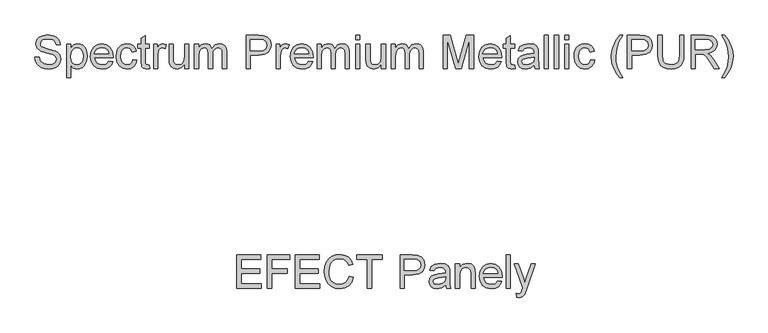
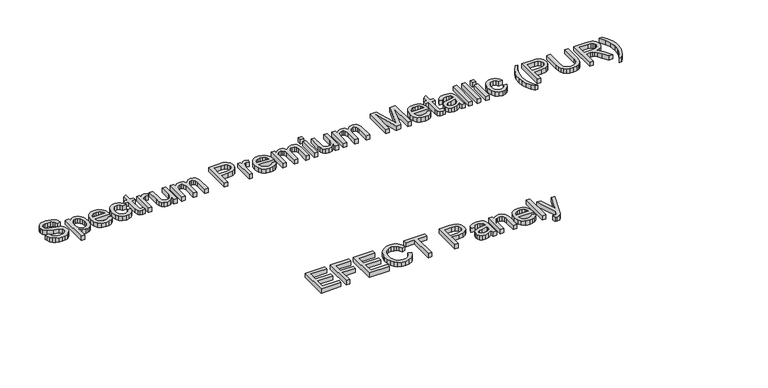
"""IFC4 building model written with IfcOpenShell, lengths in millimetres: proxy geometry."""

from ifc_helpers import new_model, si_unit, origin, origin_with_axes, place, context, project, spatial, polyline, outline, extrude, source, transform, mapped, element, save


def generic_models_a17fff9a(model_context):
    return source(origin(), model_context, "Body", "SweptSolid", [
        extrude(outline(polyline([(-671.0167592, -686.519455), (-671.0167592, -535.8349898), (-562.7122998, -535.8349898), (-562.7122998, -554.6705479), (-652.181201, -554.6705479), (-652.181201, -599.4049985), (-567.4211894, -599.4049985), (-567.4211894, -618.2405567), (-652.181201, -618.2405567), (-652.181201, -667.6838968), (-560.3578551, -667.6838968), (-560.3578551, -686.519455), (-671.0167592, -686.519455)])), origin_with_axes(), (0.0, 0.0, 1.0), 25.0),
        extrude(outline(polyline([(-532.1045178, -686.519455), (-532.1045178, -535.8349898), (-430.8633928, -535.8349898), (-430.8633928, -554.6705479), (-513.2689597, -554.6705479), (-513.2689597, -599.4049985), (-442.6356166, -599.4049985), (-442.6356166, -618.2405567), (-513.2689597, -618.2405567), (-513.2689597, -686.519455), (-532.1045178, -686.519455)])), origin_with_axes(), (0.0, 0.0, 1.0), 25.0),
        extrude(outline(polyline([(-404.9645003, -686.519455), (-404.9645003, -535.8349898), (-296.6600409, -535.8349898), (-296.6600409, -554.6705479), (-386.1289421, -554.6705479), (-386.1289421, -599.4049985), (-301.3689304, -599.4049985), (-301.3689304, -618.2405567), (-386.1289421, -618.2405567), (-386.1289421, -667.6838968), (-294.3055961, -667.6838968), (-294.3055961, -686.519455), (-404.9645003, -686.519455)])), origin_with_axes(), (0.0, 0.0, 1.0), 25.0),
        extrude(outline(polyline([(-160.1022443, -632.9558365), (-141.2666861, -637.8118788), (-149.9578983, -659.7606384), (-163.5971233, -675.7956948), (-181.5129764, -685.6043485), (-203.0340731, -688.8738998), (-224.8816651, -686.3998933), (-242.2318997, -678.9778741), (-255.5308338, -666.8653594), (-265.2245244, -650.3198667), (-271.142826, -630.8681062), (-273.1155932, -610.0367882), (-270.8853086, -588.065036), (-264.1944548, -569.0915221), (-253.3925198, -553.7186533), (-238.8289913, -542.5488362), (-221.5569316, -535.7476178), (-202.6294029, -533.480545), (-181.9774274, -536.4144039), (-164.9031043, -545.2159806), (-151.9398625, -559.3426493), (-143.6211309, -578.2517838), (-162.4566891, -582.7399442), (-168.9865945, -569.0041502), (-177.9077329, -559.5817726), (-189.3304688, -554.1325205), (-203.3651669, -552.3161032), (-219.5427777, -554.3302571), (-232.8325147, -560.3727189), (-242.9170799, -569.808892), (-249.479175, -582.0041802), (-254.2800351, -610.0), (-252.8590909, -627.4008184), (-248.5962582, -642.447192), (-241.3305888, -654.5643052), (-230.9011343, -663.1773424), (-218.397745, -668.3230918), (-204.9102713, -670.0383416), (-189.1879145, -667.7022909), (-176.086717, -660.6941389), (-166.1952898, -649.087462), (-160.1022443, -632.9558365)])), origin_with_axes(), (0.0, 0.0, 1.0), 25.0),
        extrude(outline(polyline([(-77.6966774, -686.519455), (-77.6966774, -554.6705479), (-127.1400175, -554.6705479), (-127.1400175, -535.8349898), (-9.4177791, -535.8349898), (-9.4177791, -554.6705479), (-58.8611192, -554.6705479), (-58.8611192, -686.519455), (-77.6966774, -686.519455)])), origin_with_axes(), (0.0, 0.0, 1.0), 25.0),
        extrude(outline(polyline([(70.6333431, -686.519455), (70.6333431, -535.8349898), (126.4778299, -535.8349898), (148.992208, -537.2697296), (167.2943373, -544.3146698), (179.1585317, -558.8827968), (183.646692, -579.4290062), (180.6162641, -597.1885095), (171.5249803, -611.9865628), (154.5242335, -621.9745589), (127.7654169, -625.303891), (89.4689012, -625.303891), (89.4689012, -686.519455), (70.6333431, -686.519455)]), holes=[polyline([(89.4689012, -606.4683328), (128.8690629, -606.4683328), (145.5709055, -604.7392875), (156.6073653, -599.5521513), (162.7601917, -591.2288212), (164.8111338, -580.0911938), (159.9734856, -564.4929972), (147.2631627, -555.9581349), (128.4276045, -554.6705479), (89.4689012, -554.6705479), (89.4689012, -606.4683328)])]), origin_with_axes(), (0.0, 0.0, 1.0), 25.0),
        extrude(outline(polyline([(277.8244828, -672.3927864), (259.5591417, -685.1582916), (239.3808143, -688.8738998), (223.6400634, -686.6390166), (212.0287879, -679.9343673), (204.8688846, -669.7532331), (202.4822501, -657.0888954), (206.0874937, -642.1896746), (215.5604551, -631.3739439), (228.7490246, -625.1935264), (245.046197, -622.360835), (277.7141182, -615.8861119), (277.8244828, -611.6922572), (276.5276987, -603.2861536), (272.6373466, -597.7863178), (263.9369374, -593.7028276), (251.8152257, -592.3416642), (232.7589383, -595.9653019), (223.6722531, -608.8227776), (204.8366949, -606.4683328), (212.9852811, -588.0742331), (229.3928181, -577.2952906), (254.2432469, -573.5061061), (277.0703247, -576.8538322), (289.9645886, -585.2599358), (295.7403359, -598.0438352), (296.6600409, -614.5249485), (296.6600409, -637.9590316), (297.6165341, -670.6821351), (301.3689304, -686.519455), (282.5333723, -686.519455), (277.8244828, -672.3927864)]), holes=[polyline([(277.8244828, -634.7216701), (247.43743, -640.4974174), (231.2322281, -643.550838), (223.8929823, -648.5172449), (221.3178083, -655.7645202), (226.9280087, -665.9548515), (243.390728, -670.0383416), (262.4470154, -665.5317872), (274.734274, -654.624086), (277.7141182, -640.055959), (277.8244828, -634.7216701)])]), origin_with_axes(), (0.0, 0.0, 1.0), 25.0),
        extrude(outline(polyline([(322.5589334, -686.519455), (322.5589334, -575.8605508), (341.3944915, -575.8605508), (341.3944915, -591.3115946), (355.7970716, -577.9574782), (375.4603643, -573.5061061), (393.2474587, -577.0929555), (405.3875646, -586.5107346), (411.0345532, -600.3614917), (412.0278346, -618.5716505), (412.0278346, -686.519455), (393.1922764, -686.519455), (393.1922764, -621.1100363), (391.0217727, -604.4449819), (383.3514331, -595.6342081), (370.4203809, -592.3416642), (359.3885196, -594.1902713), (349.9845361, -599.7360923), (343.5420027, -610.4506554), (341.3944915, -627.8054886), (341.3944915, -686.519455), (322.5589334, -686.519455)])), origin_with_axes(), (0.0, 0.0, 1.0), 25.0),
        extrude(outline(polyline([(515.4026752, -653.5572282), (533.8703514, -655.911673), (527.2162858, -669.8268095), (516.5982917, -680.2286729), (502.2554924, -686.712593), (484.4270112, -688.8738998), (462.3265004, -685.144496), (445.3211552, -673.9562849), (434.4778334, -656.0358332), (430.8633928, -632.1097079), (434.5146216, -607.3788408), (445.468308, -588.8835735), (462.2437269, -577.3504729), (483.3601535, -573.5061061), (503.8189909, -577.3412759), (520.1667471, -588.8467853), (530.8859087, -607.3052644), (534.4589626, -631.9993433), (534.348598, -637.0761148), (449.6989509, -637.0761148), (452.9593051, -651.1751923), (460.5330757, -661.5402675), (471.4637694, -667.9138231), (484.7948932, -670.0383416), (503.2625694, -666.1020043), (515.4026752, -653.5572282)]), holes=[polyline([(449.6989509, -618.2405567), (515.6234044, -618.2405567), (513.0758216, -608.2893487), (508.0818235, -601.1708321), (497.100546, -594.5489562), (483.2865771, -592.3416642), (470.5900497, -594.1028993), (460.0916173, -599.3866044), (452.7937582, -607.6225626), (449.6989509, -618.2405567)])]), origin_with_axes(), (0.0, 0.0, 1.0), 25.0),
        extrude(outline(polyline([(553.2945207, -686.519455), (553.2945207, -535.8349898), (572.1300789, -535.8349898), (572.1300789, -686.519455), (553.2945207, -686.519455)])), origin_with_axes(), (0.0, 0.0, 1.0), 25.0),
        extrude(outline(polyline([(600.3834161, -728.8994608), (598.0289714, -710.7628785), (607.5939032, -712.4183475), (616.5334357, -710.3398142), (622.0148774, -704.5456728), (627.1652254, -690.6765215), (628.6367534, -686.1147848), (588.6111923, -575.8605508), (608.4400318, -575.8605508), (629.7036111, -637.3336322), (637.0980392, -661.9081495), (644.4924674, -640.1663236), (666.3078697, -575.8605508), (685.9895564, -575.8605508), (647.4723115, -689.1682054), (637.4659212, -713.7427226), (626.539826, -727.0232627), (611.8981226, -731.2539056), (600.3834161, -728.8994608)])), origin_with_axes(), (0.0, 0.0, 1.0), 25.0),
        extrude(outline(polyline([(-1589.2502192, 365.2783299), (-1570.414661, 365.2783299), (-1564.3446081, 346.4243777), (-1549.5189637, 334.505001), (-1526.9310092, 329.9616584), (-1507.2493224, 333.401355), (-1494.5389995, 342.8559223), (-1490.3635389, 355.4926689), (-1493.4905358, 367.2464986), (-1506.2928293, 375.799755), (-1533.718432, 382.991848), (-1563.2409621, 392.2808684), (-1579.262223, 406.2971724), (-1584.5413296, 425.0223659), (-1582.9088533, 436.0542273), (-1578.0114242, 446.3411276), (-1569.9778011, 455.0599308), (-1558.9367428, 461.3875012), (-1531.0144993, 466.519455), (-1501.2160577, 461.1483779), (-1489.7933218, 454.5173049), (-1481.35043, 445.3662403), (-1476.006944, 434.2654011), (-1473.8824255, 421.7850044), (-1492.7179836, 421.7850044), (-1496.1760744, 433.0237993), (-1503.3865615, 441.1355973), (-1514.6529476, 446.046822), (-1530.2787353, 447.6838968), (-1546.2724051, 446.0652161), (-1557.2444856, 441.2091737), (-1563.59045, 434.063066), (-1565.7057715, 425.5741889), (-1564.2066523, 418.3361107), (-1559.709295, 412.5143781), (-1528.9543602, 401.992953), (-1495.6242514, 392.5383858), (-1484.8866957, 385.7049777), (-1477.3956985, 377.271283), (-1472.9949102, 367.329272), (-1471.5279807, 355.9709154), (-1473.2156394, 344.35964), (-1478.2786153, 333.4381432), (-1486.509975, 324.0387583), (-1497.7027847, 316.9938181), (-1511.1626672, 312.5930297), (-1526.1952452, 311.1261002), (-1544.6491258, 312.7079928), (-1559.8380536, 317.4536706), (-1571.9367728, 325.3815275), (-1581.1200271, 336.5099579), (-1587.015336, 350.0664094), (-1589.2502192, 365.2783299)])), origin_with_axes(), (0.0, 0.0, 1.0), 25.0),
        extrude(outline(polyline([(-1445.6290882, 271.1005392), (-1445.6290882, 424.1394492), (-1426.7935301, 424.1394492), (-1426.7935301, 405.671773), (-1413.7705075, 421.2883637), (-1396.1857481, 426.4938939), (-1383.447834, 424.672878), (-1372.3102066, 419.2098304), (-1363.2419154, 410.4358448), (-1356.71201, 398.6820151), (-1351.4512975, 369.6561257), (-1352.936621, 353.5474928), (-1357.3925917, 339.1403142), (-1364.6766552, 327.1657552), (-1374.6462573, 318.3549814), (-1386.2575328, 312.9333205), (-1398.4666165, 311.1261002), (-1414.8557594, 315.9637485), (-1426.7935301, 328.1958248), (-1426.7935301, 271.1005392), (-1445.6290882, 271.1005392)]), holes=[polyline([(-1426.7935301, 367.9270803), (-1424.7563835, 351.0412967), (-1418.6449439, 339.2322847), (-1409.6272365, 332.279315), (-1398.8712867, 329.9616584), (-1387.9405929, 332.3620884), (-1378.6929592, 339.5633785), (-1372.3883815, 351.8046519), (-1370.2868556, 369.3250319), (-1372.3377978, 386.118845), (-1378.4906241, 398.0934039), (-1387.494536, 405.2671028), (-1398.0987345, 407.6583358), (-1408.7443197, 405.1153515), (-1418.0931209, 397.4863986), (-1424.6184278, 385.0106004), (-1426.7935301, 367.9270803)])]), origin_with_axes(), (0.0, 0.0, 1.0), 25.0),
        extrude(outline(polyline([(-1252.7853464, 346.4427718), (-1234.3176702, 344.088327), (-1240.9717358, 330.1731905), (-1251.5897299, 319.7713271), (-1265.9325292, 313.287407), (-1283.7610104, 311.1261002), (-1305.8615212, 314.855504), (-1322.8668665, 326.0437151), (-1333.7101883, 343.9641668), (-1337.3246289, 367.8902921), (-1333.6734001, 392.6211592), (-1322.7197137, 411.1164265), (-1305.9442947, 422.6495271), (-1284.8278682, 426.4938939), (-1264.3690307, 422.6587241), (-1248.0212745, 411.1532147), (-1237.3021129, 392.6947356), (-1233.729059, 368.0006567), (-1233.8394236, 362.9238852), (-1318.4890707, 362.9238852), (-1315.2287165, 348.8248077), (-1307.654946, 338.4597325), (-1296.7242522, 332.0861769), (-1283.3931284, 329.9616584), (-1264.9254522, 333.8979957), (-1252.7853464, 346.4427718)]), holes=[polyline([(-1318.4890707, 381.7594433), (-1252.5646172, 381.7594433), (-1255.1122, 391.7106513), (-1260.1061981, 398.8291679), (-1271.0874756, 405.4510438), (-1284.9014446, 407.6583358), (-1297.5979719, 405.8971007), (-1308.0964043, 400.6133956), (-1315.3942634, 392.3774374), (-1318.4890707, 381.7594433)])]), origin_with_axes(), (0.0, 0.0, 1.0), 25.0),
        extrude(outline(polyline([(-1144.2601578, 353.5061061), (-1125.4245996, 351.1516613), (-1130.6761151, 334.399235), (-1140.5445496, 321.7394958), (-1154.1010012, 313.7794491), (-1170.4165677, 311.1261002), (-1190.4523408, 314.8279128), (-1206.1195153, 325.9333505), (-1216.2316716, 343.9549698), (-1219.6023904, 368.4053269), (-1218.1630521, 385.1669503), (-1213.8450372, 399.6936906), (-1206.5793678, 411.4245277), (-1196.297066, 419.7984416), (-1183.9960118, 424.8200308), (-1170.6740851, 426.4938939), (-1154.7585902, 424.1946315), (-1142.0344717, 417.296844), (-1132.9063997, 406.1684137), (-1127.7790444, 391.1772224), (-1146.6146026, 388.8227776), (-1155.3518, 402.9310521), (-1170.5269323, 407.6583358), (-1182.6992278, 405.3314821), (-1192.3607287, 398.3509213), (-1198.6653064, 386.3395741), (-1200.7668323, 368.9203617), (-1198.7112916, 351.2666244), (-1192.5446697, 339.2138906), (-1183.0579127, 332.2747164), (-1171.041967, 329.9616584), (-1161.2884956, 331.4055952), (-1153.2916608, 335.7374057), (-1147.4745267, 343.0674545), (-1144.2601578, 353.5061061)])), origin_with_axes(), (0.0, 0.0, 1.0), 25.0),
        extrude(outline(polyline([(-1068.9179252, 329.1891062), (-1066.5634804, 312.928722), (-1080.6533608, 311.1261002), (-1096.4354984, 314.2530972), (-1104.3081731, 322.4568657), (-1106.5890415, 343.8308096), (-1106.5890415, 405.303891), (-1120.7157101, 405.303891), (-1120.7157101, 424.1394492), (-1106.5890415, 424.1394492), (-1106.5890415, 451.031623), (-1087.7534833, 462.1048711), (-1087.7534833, 424.1394492), (-1068.9179252, 424.1394492), (-1068.9179252, 405.303891), (-1087.7534833, 405.303891), (-1087.7534833, 344.3826326), (-1086.760202, 334.6705479), (-1083.5412345, 331.2308513), (-1077.1216937, 329.9616584), (-1068.9179252, 329.1891062)])), origin_with_axes(), (0.0, 0.0, 1.0), 25.0),
        extrude(outline(polyline([(-1050.082367, 313.480545), (-1050.082367, 424.1394492), (-1033.6012536, 424.1394492), (-1033.6012536, 407.7687004), (-1021.9026062, 422.8518622), (-1010.1303824, 426.4938939), (-991.2212478, 420.6813584), (-997.5120299, 403.7955748), (-1010.7557817, 407.6583358), (-1021.4059655, 403.9427276), (-1028.1933883, 393.6420318), (-1031.2468089, 371.6426884), (-1031.2468089, 313.480545), (-1050.082367, 313.480545)])), origin_with_axes(), (0.0, 0.0, 1.0), 25.0),
        extrude(outline(polyline([(-908.8156809, 313.480545), (-908.8156809, 332.5000442), (-923.5677489, 316.4695862), (-942.8079772, 311.1261002), (-960.5214953, 314.8784966), (-972.7351775, 324.2962757), (-978.345378, 338.1654269), (-979.449024, 355.6766098), (-979.449024, 424.1394492), (-960.6134658, 424.1394492), (-960.6134658, 364.5425659), (-959.4730316, 345.3391258), (-952.0234212, 334.0635426), (-937.9887231, 329.9616584), (-922.2617678, 334.1555131), (-911.8691014, 345.5782491), (-908.8156809, 366.5659169), (-908.8156809, 424.1394492), (-889.9801227, 424.1394492), (-889.9801227, 313.480545), (-908.8156809, 313.480545)])), origin_with_axes(), (0.0, 0.0, 1.0), 25.0),
        extrude(outline(polyline([(-864.0812303, 313.480545), (-864.0812303, 424.1394492), (-845.2456721, 424.1394492), (-845.2456721, 405.9292904), (-832.2962259, 420.8469053), (-813.8653379, 426.4938939), (-803.3898981, 425.0545556), (-794.9929916, 420.7365407), (-784.6187193, 404.6049152), (-769.9218336, 421.0216492), (-751.3621869, 426.4938939), (-737.2033287, 424.2176241), (-726.7324874, 417.3888145), (-720.2623628, 405.8235243), (-718.1056546, 389.3378124), (-718.1056546, 313.480545), (-736.9412127, 313.480545), (-736.9412127, 381.2444085), (-738.6886522, 396.9713638), (-745.0162225, 404.7152798), (-755.7767709, 407.6583358), (-765.9808977, 405.7729405), (-774.2996293, 400.1167549), (-779.8316549, 390.3035026), (-781.6756634, 375.9469078), (-781.6756634, 313.480545), (-800.5112215, 313.480545), (-800.5112215, 383.3413359), (-804.8706231, 401.5882828), (-810.6233778, 406.1408225), (-819.1628387, 407.6583358), (-833.1055663, 403.6116338), (-842.3761926, 391.7658336), (-845.2456721, 369.2882437), (-845.2456721, 313.480545), (-864.0812303, 313.480545)])), origin_with_axes(), (0.0, 0.0, 1.0), 25.0),
        extrude(outline(polyline([(-628.6367534, 313.480545), (-628.6367534, 464.1650102), (-572.7922665, 464.1650102), (-550.2778884, 462.7302704), (-531.9757591, 455.6853302), (-520.1115648, 441.1172032), (-515.6234044, 420.5709938), (-518.6538324, 402.8114905), (-527.7451162, 388.0134372), (-544.7458629, 378.0254411), (-571.5046795, 374.696109), (-609.8011952, 374.696109), (-609.8011952, 313.480545), (-628.6367534, 313.480545)]), holes=[polyline([(-609.8011952, 393.5316672), (-570.4010335, 393.5316672), (-553.6991909, 395.2607125), (-542.6627311, 400.4478487), (-536.5099047, 408.7711788), (-534.4589626, 419.9088062), (-539.2966108, 435.5070028), (-552.0069338, 444.0418651), (-570.8424919, 445.3294521), (-609.8011952, 445.3294521), (-609.8011952, 393.5316672)])]), origin_with_axes(), (0.0, 0.0, 1.0), 25.0),
        extrude(outline(polyline([(-492.0789567, 313.480545), (-492.0789567, 424.1394492), (-475.5978434, 424.1394492), (-475.5978434, 407.7687004), (-463.8991959, 422.8518622), (-452.1269721, 426.4938939), (-433.2178375, 420.6813584), (-439.5086196, 403.7955748), (-452.7523715, 407.6583358), (-463.4025552, 403.9427276), (-470.189978, 393.6420318), (-473.2433986, 371.6426884), (-473.2433986, 313.480545), (-492.0789567, 313.480545)])), origin_with_axes(), (0.0, 0.0, 1.0), 25.0),
        extrude(outline(polyline([(-343.9696655, 346.4427718), (-325.5019893, 344.088327), (-332.1560549, 330.1731905), (-342.774049, 319.7713271), (-357.1168483, 313.287407), (-374.9453295, 311.1261002), (-397.0458403, 314.855504), (-414.0511856, 326.0437151), (-424.8945074, 343.9641668), (-428.508948, 367.8902921), (-424.8577192, 392.6211592), (-413.9040328, 411.1164265), (-397.1286138, 422.6495271), (-376.0121873, 426.4938939), (-355.5533498, 422.6587241), (-339.2055937, 411.1532147), (-328.486432, 392.6947356), (-324.9133781, 368.0006567), (-325.0237427, 362.9238852), (-409.6733898, 362.9238852), (-406.4130356, 348.8248077), (-398.8392651, 338.4597325), (-387.9085713, 332.0861769), (-374.5774475, 329.9616584), (-356.1097713, 333.8979957), (-343.9696655, 346.4427718)]), holes=[polyline([(-409.6733898, 381.7594433), (-343.7489363, 381.7594433), (-346.2965191, 391.7106513), (-351.2905172, 398.8291679), (-362.2717948, 405.4510438), (-376.0857637, 407.6583358), (-388.782291, 405.8971007), (-399.2807235, 400.6133956), (-406.5785825, 392.3774374), (-409.6733898, 381.7594433)])]), origin_with_axes(), (0.0, 0.0, 1.0), 25.0),
        extrude(outline(polyline([(-306.07782, 313.480545), (-306.07782, 424.1394492), (-287.2422618, 424.1394492), (-287.2422618, 405.9292904), (-274.2928156, 420.8469053), (-255.8619276, 426.4938939), (-245.3864878, 425.0545556), (-236.9895813, 420.7365407), (-226.615309, 404.6049152), (-211.9184233, 421.0216492), (-193.3587767, 426.4938939), (-179.1999184, 424.2176241), (-168.7290771, 417.3888145), (-162.2589525, 405.8235243), (-160.1022443, 389.3378124), (-160.1022443, 313.480545), (-178.9378025, 313.480545), (-178.9378025, 381.2444085), (-180.6852419, 396.9713638), (-187.0128122, 404.7152798), (-197.7733606, 407.6583358), (-207.9774874, 405.7729405), (-216.2962191, 400.1167549), (-221.8282446, 390.3035026), (-223.6722531, 375.9469078), (-223.6722531, 313.480545), (-242.5078112, 313.480545), (-242.5078112, 383.3413359), (-246.8672129, 401.5882828), (-252.6199676, 406.1408225), (-261.1594284, 407.6583358), (-275.102156, 403.6116338), (-284.3727823, 391.7658336), (-287.2422618, 369.2882437), (-287.2422618, 313.480545), (-306.07782, 313.480545)])), origin_with_axes(), (0.0, 0.0, 1.0), 25.0),
        extrude(outline(polyline([(-131.8489071, 313.480545), (-131.8489071, 424.1394492), (-113.0133489, 424.1394492), (-113.0133489, 313.480545), (-131.8489071, 313.480545)])), origin_with_axes(), (0.0, 0.0, 1.0), 25.0),
        extrude(outline(polyline([(-131.8489071, 445.3294521), (-131.8489071, 464.1650102), (-113.0133489, 464.1650102), (-113.0133489, 445.3294521), (-131.8489071, 445.3294521)])), origin_with_axes(), (0.0, 0.0, 1.0), 25.0),
        extrude(outline(polyline([(-14.1266686, 313.480545), (-14.1266686, 332.5000442), (-28.8787366, 316.4695862), (-48.118965, 311.1261002), (-65.832483, 314.8784966), (-78.0461653, 324.2962757), (-83.6563657, 338.1654269), (-84.7600117, 355.6766098), (-84.7600117, 424.1394492), (-65.9244535, 424.1394492), (-65.9244535, 364.5425659), (-64.7840194, 345.3391258), (-57.3344089, 334.0635426), (-43.2997108, 329.9616584), (-27.5727555, 334.1555131), (-17.1800892, 345.5782491), (-14.1266686, 366.5659169), (-14.1266686, 424.1394492), (4.7088895, 424.1394492), (4.7088895, 313.480545), (-14.1266686, 313.480545)])), origin_with_axes(), (0.0, 0.0, 1.0), 25.0),
        extrude(outline(polyline([(30.607782, 313.480545), (30.607782, 424.1394492), (49.4433402, 424.1394492), (49.4433402, 405.9292904), (62.3927864, 420.8469053), (80.8236743, 426.4938939), (91.2991142, 425.0545556), (99.6960207, 420.7365407), (110.070293, 404.6049152), (124.7671787, 421.0216492), (143.3268253, 426.4938939), (157.4856836, 424.2176241), (167.9565249, 417.3888145), (174.4266495, 405.8235243), (176.5833577, 389.3378124), (176.5833577, 313.480545), (157.7477995, 313.480545), (157.7477995, 381.2444085), (156.0003601, 396.9713638), (149.6727897, 404.7152798), (138.9122414, 407.6583358), (128.7081145, 405.7729405), (120.3893829, 400.1167549), (114.8573574, 390.3035026), (113.0133489, 375.9469078), (113.0133489, 313.480545), (94.1777908, 313.480545), (94.1777908, 383.3413359), (89.8183891, 401.5882828), (84.0656344, 406.1408225), (75.5261736, 407.6583358), (61.583446, 403.6116338), (52.3128197, 391.7658336), (49.4433402, 369.2882437), (49.4433402, 313.480545), (30.607782, 313.480545)])), origin_with_axes(), (0.0, 0.0, 1.0), 25.0),
        extrude(outline(polyline([(266.0522589, 313.480545), (266.0522589, 464.1650102), (298.3522981, 464.1650102), (329.2543857, 357.9574782), (335.5083796, 335.7741939), (342.2406201, 359.7968882), (372.5540965, 464.1650102), (404.9645003, 464.1650102), (404.9645003, 313.480545), (386.1289421, 313.480545), (386.1289421, 445.3294521), (348.2738848, 313.480545), (322.7796626, 313.480545), (284.8878171, 445.3294521), (284.8878171, 313.480545), (266.0522589, 313.480545)])), origin_with_axes(), (0.0, 0.0, 1.0), 25.0),
        extrude(outline(polyline([(513.0482305, 346.4427718), (531.5159066, 344.088327), (524.861841, 330.1731905), (514.243847, 319.7713271), (499.9010477, 313.287407), (482.0725665, 311.1261002), (459.9720556, 314.855504), (442.9667104, 326.0437151), (432.1233886, 343.9641668), (428.508948, 367.8902921), (432.1601768, 392.6211592), (443.1138632, 411.1164265), (459.8892822, 422.6495271), (481.0057087, 426.4938939), (501.4645462, 422.6587241), (517.8123023, 411.1532147), (528.5314639, 392.6947356), (532.1045178, 368.0006567), (531.9941532, 362.9238852), (447.3445061, 362.9238852), (450.6048603, 348.8248077), (458.1786309, 338.4597325), (469.1093247, 332.0861769), (482.4404485, 329.9616584), (500.9081246, 333.8979957), (513.0482305, 346.4427718)]), holes=[polyline([(447.3445061, 381.7594433), (513.2689597, 381.7594433), (510.7213769, 391.7106513), (505.7273788, 398.8291679), (494.7461012, 405.4510438), (480.9321323, 407.6583358), (468.2356049, 405.8971007), (457.7371725, 400.6133956), (450.4393134, 392.3774374), (447.3445061, 381.7594433)])]), origin_with_axes(), (0.0, 0.0, 1.0), 25.0),
        extrude(outline(polyline([(590.9656371, 329.1891062), (593.3200818, 312.928722), (579.2302014, 311.1261002), (563.4480638, 314.2530972), (555.5753891, 322.4568657), (553.2945207, 343.8308096), (553.2945207, 405.303891), (539.1678521, 405.303891), (539.1678521, 424.1394492), (553.2945207, 424.1394492), (553.2945207, 451.031623), (572.1300789, 462.1048711), (572.1300789, 424.1394492), (590.9656371, 424.1394492), (590.9656371, 405.303891), (572.1300789, 405.303891), (572.1300789, 344.3826326), (573.1233603, 334.6705479), (576.3423277, 331.2308513), (582.7618686, 329.9616584), (590.9656371, 329.1891062)])), origin_with_axes(), (0.0, 0.0, 1.0), 25.0),
        extrude(outline(polyline([(680.4345383, 327.6072136), (662.1691972, 314.8417084), (641.9908698, 311.1261002), (626.2501189, 313.3609834), (614.6388434, 320.0656327), (607.4789401, 330.2467669), (605.0923057, 342.9111046), (608.6975492, 357.8103254), (618.1705106, 368.6260561), (631.3590801, 374.8064736), (647.6562525, 377.639165), (680.3241737, 384.1138881), (680.4345383, 388.3077428), (679.1377542, 396.7138464), (675.2474021, 402.2136822), (666.546993, 406.2971724), (654.4252812, 407.6583358), (635.3689939, 404.0346981), (626.2823086, 391.1772224), (607.4467504, 393.5316672), (615.5953366, 411.9257669), (632.0028736, 422.7047094), (656.8533024, 426.4938939), (679.6803802, 423.1461678), (692.5746441, 414.7400642), (698.3503914, 401.9561648), (699.2700964, 385.4750515), (699.2700964, 362.0409684), (700.2265896, 329.3178649), (703.978986, 313.480545), (685.1434278, 313.480545), (680.4345383, 327.6072136)]), holes=[polyline([(680.4345383, 365.2783299), (650.0474855, 359.5025826), (633.8422836, 356.449162), (626.5030378, 351.4827551), (623.9278638, 344.2354798), (629.5380642, 334.0451485), (646.0007835, 329.9616584), (665.0570709, 334.4682128), (677.3443295, 345.375914), (680.3241737, 359.944041), (680.4345383, 365.2783299)])]), origin_with_axes(), (0.0, 0.0, 1.0), 25.0),
        extrude(outline(polyline([(725.1689889, 313.480545), (725.1689889, 464.1650102), (744.004547, 464.1650102), (744.004547, 313.480545), (725.1689889, 313.480545)])), origin_with_axes(), (0.0, 0.0, 1.0), 25.0),
        extrude(outline(polyline([(772.2578843, 313.480545), (772.2578843, 464.1650102), (791.0934424, 464.1650102), (791.0934424, 313.480545), (772.2578843, 313.480545)])), origin_with_axes(), (0.0, 0.0, 1.0), 25.0),
        extrude(outline(polyline([(819.3467797, 313.480545), (819.3467797, 424.1394492), (838.1823378, 424.1394492), (838.1823378, 313.480545), (819.3467797, 313.480545)])), origin_with_axes(), (0.0, 0.0, 1.0), 25.0),
        extrude(outline(polyline([(819.3467797, 445.3294521), (819.3467797, 464.1650102), (838.1823378, 464.1650102), (838.1823378, 445.3294521), (819.3467797, 445.3294521)])), origin_with_axes(), (0.0, 0.0, 1.0), 25.0),
        extrude(outline(polyline([(937.0690181, 353.5061061), (955.9045763, 351.1516613), (950.6530608, 334.399235), (940.7846263, 321.7394958), (927.2281747, 313.7794491), (910.9126083, 311.1261002), (890.8768351, 314.8279128), (875.2096606, 325.9333505), (865.0975043, 343.9549698), (861.7267855, 368.4053269), (863.1661238, 385.1669503), (867.4841387, 399.6936906), (874.7498081, 411.4245277), (885.0321099, 419.7984416), (897.3331641, 424.8200308), (910.6550909, 426.4938939), (926.5705857, 424.1946315), (939.2947042, 417.296844), (948.4227762, 406.1684137), (953.5501315, 391.1772224), (934.7145733, 388.8227776), (925.977376, 402.9310521), (910.8022437, 407.6583358), (898.6299481, 405.3314821), (888.9684472, 398.3509213), (882.6638696, 386.3395741), (880.5623437, 368.9203617), (882.6178843, 351.2666244), (888.7845062, 339.2138906), (898.2712632, 332.2747164), (910.2872089, 329.9616584), (920.0406803, 331.4055952), (928.0375151, 335.7374057), (933.8546492, 343.0674545), (937.0690181, 353.5061061)])), origin_with_axes(), (0.0, 0.0, 1.0), 25.0),
        extrude(outline(polyline([(1068.9179252, 271.1005392), (1054.322207, 291.5823692), (1042.1729041, 315.2831668), (1033.9783327, 341.0533005), (1031.2468089, 367.7431393), (1033.288554, 391.1496312), (1039.4137892, 413.5444477), (1051.5722891, 438.9099113), (1068.9179252, 464.1650102), (1083.0445938, 464.1650102), (1065.4230462, 434.3297804), (1054.8280448, 405.4142556), (1050.082367, 367.6327747), (1052.1425062, 343.4859202), (1058.3229237, 319.3482628), (1068.6236196, 295.2198025), (1083.0445938, 271.1005392), (1068.9179252, 271.1005392)])), origin_with_axes(), (0.0, 0.0, 1.0), 25.0),
        extrude(outline(polyline([(1104.2345967, 313.480545), (1104.2345967, 464.1650102), (1160.0790836, 464.1650102), (1182.5934617, 462.7302704), (1200.895591, 455.6853302), (1212.7597853, 441.1172032), (1217.2479456, 420.5709938), (1214.2175177, 402.8114905), (1205.1262339, 388.0134372), (1188.1254872, 378.0254411), (1161.3666706, 374.696109), (1123.0701549, 374.696109), (1123.0701549, 313.480545), (1104.2345967, 313.480545)]), holes=[polyline([(1123.0701549, 393.5316672), (1162.4703166, 393.5316672), (1179.1721591, 395.2607125), (1190.208619, 400.4478487), (1196.3614454, 408.7711788), (1198.4123875, 419.9088062), (1193.5747393, 435.5070028), (1180.8644163, 444.0418651), (1162.0288582, 445.3294521), (1123.0701549, 445.3294521), (1123.0701549, 393.5316672)])]), origin_with_axes(), (0.0, 0.0, 1.0), 25.0),
        extrude(outline(polyline([(1342.0335184, 464.1650102), (1360.8690766, 464.1650102), (1360.8690766, 377.2344948), (1359.5906866, 356.8768249), (1355.7555168, 341.2004533), (1348.591015, 329.1063327), (1337.3246289, 319.4954156), (1321.9287674, 313.2184291), (1302.3758393, 311.1261002), (1283.2505741, 312.9471161), (1267.9604787, 318.4101637), (1256.5009545, 327.3267036), (1248.8674031, 339.5081962), (1244.5769794, 355.8467553), (1243.1468381, 377.2344948), (1243.1468381, 464.1650102), (1261.9823963, 464.1650102), (1261.9823963, 377.8966824), (1265.6980044, 349.1834926), (1270.7471848, 341.0211109), (1278.4635096, 334.9648535), (1300.6100057, 329.9616584), (1319.7674606, 332.4356648), (1332.5053747, 339.8576841), (1339.6514825, 354.3154465), (1342.0335184, 377.8966824), (1342.0335184, 464.1650102)])), origin_with_axes(), (0.0, 0.0, 1.0), 25.0),
        extrude(outline(polyline([(1393.8313033, 313.480545), (1393.8313033, 464.1650102), (1458.7624755, 464.1650102), (1488.910405, 460.0999142), (1498.1902283, 454.4713197), (1505.3915184, 445.7157282), (1510.0130359, 434.8586108), (1511.5535418, 422.9254386), (1509.0013604, 408.0814001), (1501.3448164, 395.7757473), (1488.3539835, 386.7534414), (1469.7989353, 381.7594433), (1480.5043014, 373.7028276), (1495.7714042, 354.3154465), (1520.8977445, 313.480545), (1499.0087657, 313.480545), (1479.4006554, 344.7137264), (1465.2371986, 365.3886945), (1455.2859906, 375.1559615), (1446.328064, 378.7428109), (1435.4019688, 379.4049985), (1412.6668615, 379.4049985), (1412.6668615, 313.480545), (1393.8313033, 313.480545)]), holes=[polyline([(1412.6668615, 398.2405567), (1454.8261381, 398.2405567), (1476.3288407, 400.9077012), (1488.542523, 409.4425634), (1492.7179836, 422.2264628), (1490.7268223, 431.4143156), (1484.7533384, 438.8179408), (1474.4756352, 443.7015742), (1459.5718159, 445.3294521), (1412.6668615, 445.3294521), (1412.6668615, 398.2405567)])]), origin_with_axes(), (0.0, 0.0, 1.0), 25.0),
        extrude(outline(polyline([(1546.8702133, 271.1005392), (1532.7435447, 271.1005392), (1547.1645189, 295.2198025), (1557.4652148, 319.3482628), (1563.6456323, 343.4859202), (1565.7057715, 367.6327747), (1560.9600937, 405.0831618), (1550.4754569, 434.0354748), (1532.7435447, 464.1650102), (1546.8702133, 464.1650102), (1564.2158494, 438.9099113), (1576.3743493, 413.5444477), (1582.4995846, 391.1496312), (1584.5413296, 367.7431393), (1581.7960102, 341.0533005), (1573.5600521, 315.2831668), (1561.3969536, 291.5823692), (1546.8702133, 271.1005392)])), origin_with_axes(), (0.0, 0.0, 1.0), 25.0),
    ])


if __name__ == "__main__":
    model = new_model("IFC4")
    model_context = context("Model", 3, world=origin())
    ifc_project = project(units=[si_unit("LENGTHUNIT", "METRE", prefix="MILLI")], contexts=[model_context])
    site = spatial("IfcSite", under=ifc_project)
    building = spatial("IfcBuilding", under=site)
    placement = place(None, origin())
    generic_models_shape = generic_models_a17fff9a(model_context)
    element("IfcBuildingElementProxy", 1, Name="Generic Models", at=placement, inside=building, context=model_context, shape_type="MappedRepresentation", body=[
        mapped(generic_models_shape, transform((0.0, 0.0, 0.0), x_axis=(1.0, 0.0, 0.0), y_axis=(0.0, 1.0, 0.0), z_axis=(0.0, 0.0, 1.0))),
    ])
    save(model, "model.ifc")
